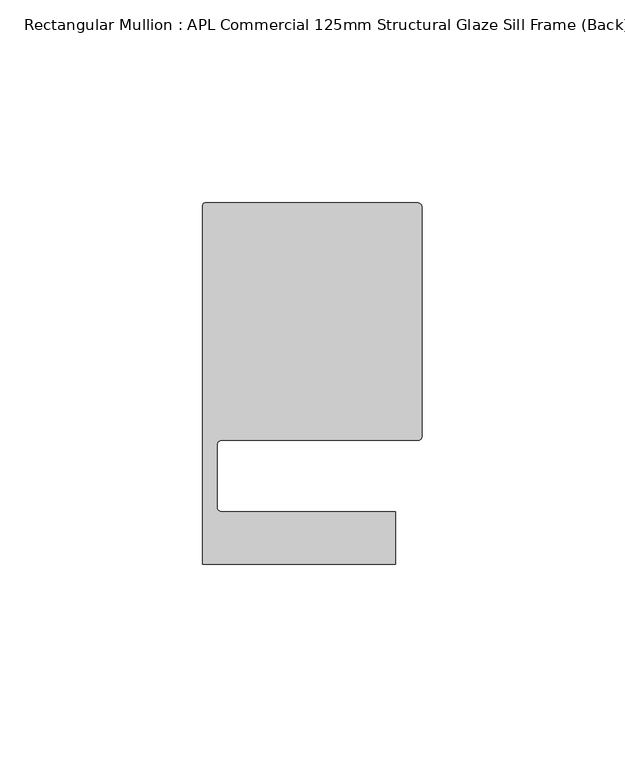
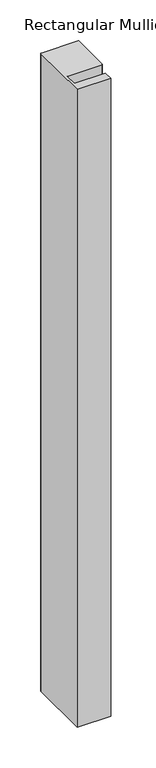
"""IFC4 building model written with IfcOpenShell, lengths in millimetres: member geometry, Rectangular Mullion : APL Commercial 125mm Structural Glaze Sill Frame (Back)."""

from ifc_helpers import new_model, si_unit, frame, origin, place, context, project, spatial, polyline, circle_curve, source, transform, mapped, element, save
from ifc_brep_helpers import plane_surface, cylinder_surface, revolved_surface, advanced_brep


def rectangular_mullion_apl_commercial_125mm_structural_glaze_e5b0403b(model_context):
    return source(origin(), model_context, "Body", "AdvancedBrep", [
        advanced_brep(
        [(-53.5000029, 104.0, 0.0), (-54.0000029, 103.5, 0.0), (-54.0000029, 15.0004332, 0.0), (-6.5000029, 15.0004332, 0.0), (-6.5000029, 28.0004332, 0.0), (-49.5000029, 28.0004332, 0.0), (-50.5000029, 29.0004332, 0.0), (-50.5000029, 44.5010268, 0.0), (-49.5000004, 45.5010268, 0.0), (-1.0, 45.5010268, 0.0), (0.0, 46.5010268, 0.0), (0.0, 103.0, 0.0), (-1.0000025, 104.0, 0.0), (-53.5000029, 104.0, -955.0460227), (-1.0000025, 104.0, -955.0460227), (-2.5e-06, 103.0, -955.0460227), (0.0, 46.5010268, -955.0460227), (-1.0, 45.5010268, -955.0460227), (-49.5000004, 45.5010268, -955.0460227), (-50.5000004, 44.5010268, -955.0460227), (-50.5000029, 29.0004332, -955.0460227), (-49.5000029, 28.0004332, -955.0460227), (-6.5000029, 28.0004332, -955.0460227), (-6.5000029, 15.0004332, -955.0460227), (-54.0000029, 15.0004332, -955.0460227), (-54.0000029, 103.5, -955.0460227)],
        [
            (0, 1, circle_curve(frame((-53.5000029, 103.5, 0.0), z_axis=(0.0, 0.0, 1.0), x_axis=(0.0, 1.0, 0.0)), 0.5)),
            (1, 2),
            (2, 3),
            (3, 4),
            (4, 5),
            (5, 6, circle_curve(frame((-49.5000029, 29.0004332, 0.0), z_axis=(0.0, 0.0, -1.0), x_axis=(0.0, -1.0, 0.0)), 1.0)),
            (6, 7),
            (7, 8, circle_curve(frame((-49.5000004, 44.5010268, 0.0), z_axis=(0.0, 0.0, -1.0), x_axis=(-0.9999999999998819, 4.863123717036027e-07, 0.0)), 1.0)),
            (8, 9),
            (9, 10, circle_curve(frame((-1.0, 46.5010268, 0.0), z_axis=(0.0, 0.0, 1.0), x_axis=(0.0, -1.0, 0.0)), 1.0)),
            (10, 11),
            (11, 12, circle_curve(frame((-1.0000025, 103.0, 0.0), z_axis=(0.0, 0.0, 1.0), x_axis=(0.9999999999996143, 8.78371761103865e-07, 0.0)), 1.0)),
            (12, 0),
            (13, 14),
            (14, 15, circle_curve(frame((-1.0000025, 103.0, -955.0460227), z_axis=(0.0, 0.0, -1.0), x_axis=(0.9999999999996143, 8.78371761103865e-07, 0.0)), 1.0)),
            (15, 16),
            (16, 17, circle_curve(frame((-1.0, 46.5010268, -955.0460227), z_axis=(0.0, 0.0, -1.0), x_axis=(0.0, -1.0, 0.0)), 1.0)),
            (17, 18),
            (18, 19, circle_curve(frame((-49.5000004, 44.5010268, -955.0460227), z_axis=(0.0, 0.0, 1.0), x_axis=(-0.9999999999998819, 4.863123717036027e-07, 0.0)), 1.0)),
            (19, 20),
            (20, 21, circle_curve(frame((-49.5000029, 29.0004332, -955.0460227), z_axis=(0.0, 0.0, 1.0), x_axis=(0.0, -1.0, 0.0)), 1.0)),
            (21, 22),
            (22, 23),
            (23, 24),
            (24, 25),
            (25, 13, circle_curve(frame((-53.5000029, 103.5, -955.0460227), z_axis=(0.0, 0.0, -1.0), x_axis=(0.0, 1.0, 0.0)), 0.5)),
            (0, 13),
            (25, 1),
            (24, 2),
            (23, 3),
            (22, 4),
            (21, 5),
            (20, 6),
            (19, 7),
            (18, 8),
            (17, 9),
            (16, 10),
            (15, 11),
            (14, 12),
        ],
        [
            plane_surface(frame((0.0, -116.986179, 0.0), z_axis=(0.0, 0.0, 1.0), x_axis=(-1.0, 0.0, 0.0))),
            plane_surface(frame((0.0, -116.986179, -955.0460227), z_axis=(0.0, 0.0, -1.0), x_axis=(-1.0, 0.0, 0.0))),
            cylinder_surface(frame((-53.5000029, 103.5, 0.0), z_axis=(0.0, 0.0, 1.0), x_axis=(0.0, 1.0, 0.0)), 0.5),
            plane_surface(frame((-54.0000029, 103.5, 0.0), z_axis=(-1.0, 0.0, 0.0), x_axis=(0.0, 0.0, -1.0))),
            plane_surface(frame((-54.0000029, 15.0004332, 0.0), z_axis=(0.0, -1.0, 0.0), x_axis=(0.0, 0.0, -1.0))),
            plane_surface(frame((-6.5000029, 15.0004332, 0.0), z_axis=(1.0, 0.0, 0.0), x_axis=(0.0, 0.0, -1.0))),
            plane_surface(frame((-6.5000029, 28.0004332, 0.0), z_axis=(0.0, 1.0, 0.0), x_axis=(0.0, 0.0, -1.0))),
            revolved_surface(polyline([(-49.5000029, 28.0004332, -955.0460227), (-49.5000029, 28.0004332, 0.0)]), (-49.5000029, 29.0004332, 0.0), (0.0, 0.0, -1.0)),
            plane_surface(frame((-50.5000029, 29.0004332, 0.0), z_axis=(1.0, 0.0, 0.0), x_axis=(0.0, 0.0, -1.0))),
            revolved_surface(polyline([(-50.50000039999988, 44.50102728631237, -955.0460227000004), (-50.50000039999988, 44.50102728631237, 0.0)]), (-49.5000004, 44.5010268, 0.0), (0.0, 0.0, -1.0000000000000002)),
            plane_surface(frame((-49.5000004, 45.5010268, 0.0), z_axis=(0.0, -1.0, 0.0), x_axis=(0.0, 0.0, -1.0))),
            cylinder_surface(frame((-1.0, 46.5010268, 0.0), z_axis=(0.0, 0.0, 1.0), x_axis=(0.0, -1.0, 0.0)), 1.0),
            plane_surface(frame((0.0, 46.5010268, 0.0), z_axis=(1.0, 0.0, 0.0), x_axis=(0.0, 0.0, -1.0))),
            cylinder_surface(frame((-1.0000025, 103.0, 0.0), z_axis=(0.0, 0.0, 1.0000000000000002), x_axis=(0.9999999999996143, 8.78371761103865e-07, 0.0)), 1.0),
            plane_surface(frame((-1.0000025, 104.0, 0.0), z_axis=(0.0, 1.0, 0.0), x_axis=(0.0, 0.0, -1.0))),
        ],
        [
            (0, [[1, 2, 3, 4, 5, 6, 7, 8, 9, 10, 11, 12, 13]]),
            (1, [[14, 15, 16, 17, 18, 19, 20, 21, 22, 23, 24, 25, 26]]),
            (2, [[-1, 27, -26, 28]]),
            (3, [[-2, -28, -25, 29]]),
            (4, [[-3, -29, -24, 30]]),
            (5, [[-4, -30, -23, 31]]),
            (6, [[-5, -31, -22, 32]]),
            (7, [[-6, -32, -21, 33]]),
            (8, [[-7, -33, -20, 34]]),
            (9, [[-8, -34, -19, 35]]),
            (10, [[-9, -35, -18, 36]]),
            (11, [[-10, -36, -17, 37]]),
            (12, [[-11, -37, -16, 38]]),
            (13, [[-12, -38, -15, 39]]),
            (14, [[-13, -39, -14, -27]]),
        ],
    ),
    ])


if __name__ == "__main__":
    model = new_model("IFC4")
    model_context = context("Model", 3, world=origin())
    ifc_project = project(units=[si_unit("LENGTHUNIT", "METRE", prefix="MILLI")], contexts=[model_context])
    site = spatial("IfcSite", under=ifc_project)
    building = spatial("IfcBuilding", under=site)
    placement = place(None, origin())
    rectangular_mullion_apl_commercial_125mm_structural_glaze_shape = rectangular_mullion_apl_commercial_125mm_structural_glaze_e5b0403b(model_context)
    element("IfcMember", 1, ObjectType="Rectangular Mullion : APL Commercial 125mm Structural Glaze Sill Frame (Back)", at=placement, inside=building, context=model_context, shape_type="MappedRepresentation", body=[
        mapped(rectangular_mullion_apl_commercial_125mm_structural_glaze_shape, transform((0.0, 0.0, 0.0), x_axis=(1.0, 0.0, 0.0), y_axis=(0.0, 1.0, 0.0), z_axis=(0.0, 0.0, 1.0))),
    ])
    save(model, "model.ifc")
